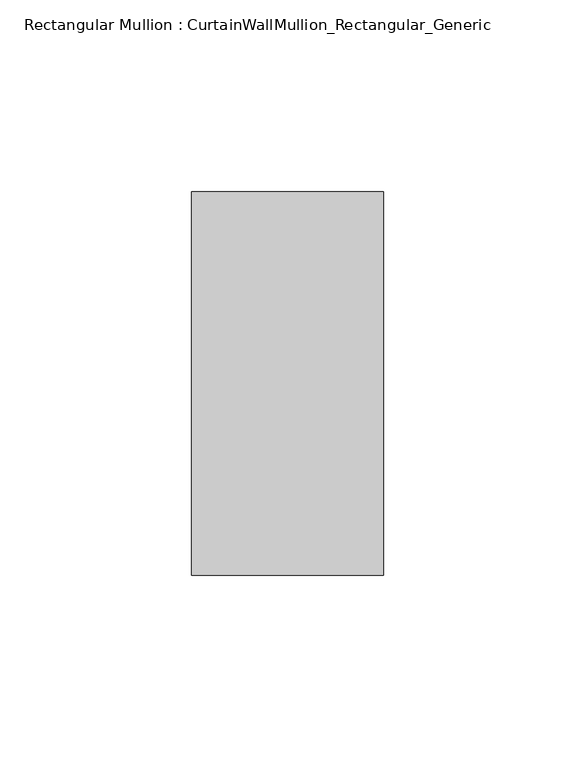
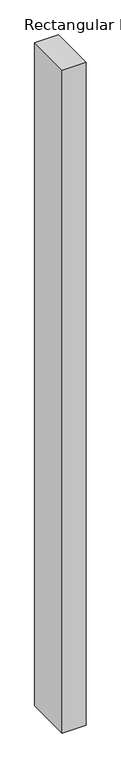
"""IFC4 building model written with IfcOpenShell, lengths in millimetres: member geometry, Rectangular Mullion : CurtainWallMullion_Rectangular_Generic."""

from ifc_helpers import new_model, si_unit, frame, origin, place, context, project, spatial, polyline, outline, extrude, source, transform, mapped, element, save


def rectangular_mullion_curtainwallmullion_rectangular_generic_4dfaaee4(model_context):
    return source(origin(), model_context, "Body", "SweptSolid", [
        extrude(outline(polyline([(25.0, 50.0), (25.0, -50.0), (-25.0, -50.0), (-25.0, 50.0), (25.0, 50.0)])), frame((0.0, 0.0, -1475.0), z_axis=(0.0, 0.0, 1.0), x_axis=(1.0, 0.0, 0.0)), (0.0, 0.0, 1.0), 1475.0),
    ])


if __name__ == "__main__":
    model = new_model("IFC4")
    model_context = context("Model", 3, world=origin())
    ifc_project = project(units=[si_unit("LENGTHUNIT", "METRE", prefix="MILLI")], contexts=[model_context])
    site = spatial("IfcSite", under=ifc_project)
    building = spatial("IfcBuilding", under=site)
    placement = place(None, origin())
    rectangular_mullion_curtainwallmullion_rectangular_generic_shape = rectangular_mullion_curtainwallmullion_rectangular_generic_4dfaaee4(model_context)
    element("IfcMember", 1, ObjectType="Rectangular Mullion : CurtainWallMullion_Rectangular_Generic", at=placement, inside=building, context=model_context, shape_type="MappedRepresentation", body=[
        mapped(rectangular_mullion_curtainwallmullion_rectangular_generic_shape, transform((0.0, 0.0, 0.0), x_axis=(1.0, 0.0, 0.0), y_axis=(0.0, 1.0, 0.0), z_axis=(0.0, 0.0, 1.0))),
    ])
    save(model, "model.ifc")
